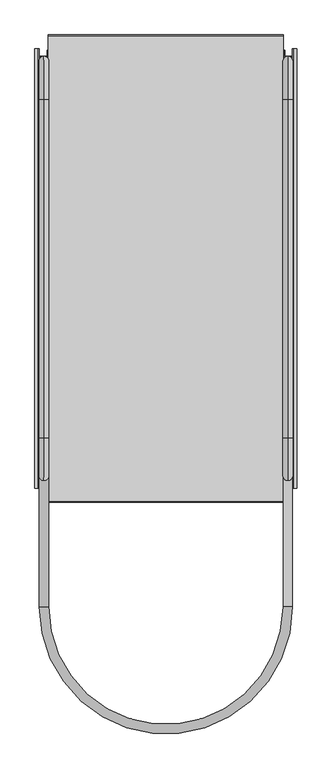
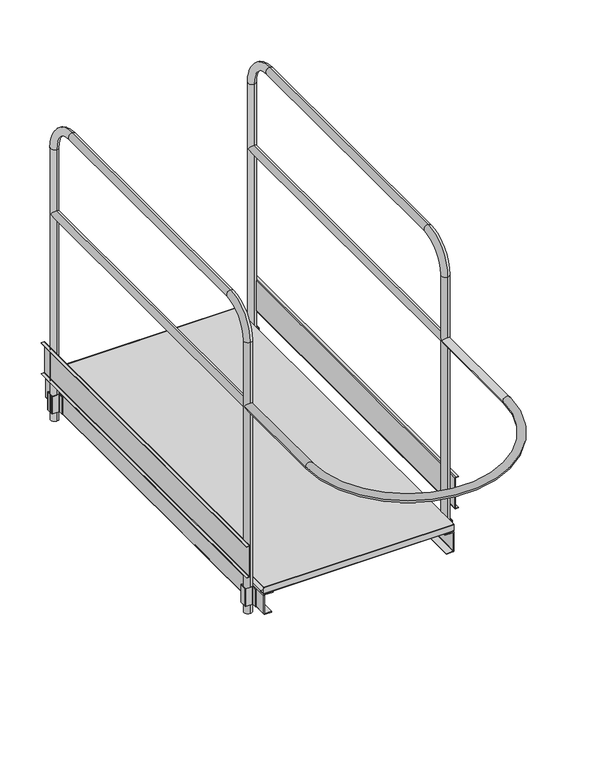
"""IFC4 building model written with IfcOpenShell, lengths in millimetres: proxy geometry."""

from ifc_helpers import new_model, si_unit, point, frame, frame_2d, origin, place, context, project, spatial, polyline, circle_curve, ellipse_curve, trimmed, segment, composite_curve, outline, extrude, source, transform, mapped, element, save
from ifc_brep_helpers import plane_surface, cylinder_surface, revolved_surface, advanced_brep


def generic_models_9f504ff7(model_context):
    return source(origin(), model_context, "Body", "SolidModel", [
        advanced_brep(
        [(-434.395852, -1509.933073, 925.0), (-402.395852, -1509.933073, 925.0), (-434.395852, -1959.5995093, 925.0), (-402.395852, -1959.5995093, 925.0), (402.395852, -1959.5995093, 925.0), (434.395852, -1959.5995093, 925.0), (434.395852, -1509.933073, 925.0), (402.395852, -1509.933073, 925.0)],
        [
            (0, 1, circle_curve(frame((-418.395852, -1509.933073, 925.0), z_axis=(0.0, 1.0, 0.0), x_axis=(1.0, 0.0, 0.0)), 16.0)),
            (1, 0, circle_curve(frame((-418.395852, -1509.933073, 925.0), z_axis=(0.0, 1.0, 0.0), x_axis=(1.0, 0.0, 0.0)), 16.0)),
            (0, 2),
            (2, 3, circle_curve(frame((-418.395852, -1959.5995093, 925.0), z_axis=(0.0, 1.0, 0.0), x_axis=(1.0, 0.0, 0.0)), 16.0)),
            (3, 1),
            (3, 2, circle_curve(frame((-418.395852, -1959.5995093, 925.0), z_axis=(0.0, 1.0, 0.0), x_axis=(1.0, 0.0, 0.0)), 16.0)),
            (4, 3, circle_curve(frame((0.0, -1959.5995093, 925.0), z_axis=(0.0, 0.0, -1.0), x_axis=(-1.0, 0.0, 0.0)), 402.395852)),
            (2, 5, circle_curve(frame((0.0, -1959.5995093, 925.0), z_axis=(0.0, 0.0, 1.0), x_axis=(-1.0, 0.0, 0.0)), 434.395852)),
            (5, 4, circle_curve(frame((418.395852, -1959.5995093, 925.0), z_axis=(0.0, -1.0, 0.0), x_axis=(-1.0, 0.0, 0.0)), 16.0)),
            (4, 5, circle_curve(frame((418.395852, -1959.5995093, 925.0), z_axis=(0.0, -1.0, 0.0), x_axis=(-1.0, 0.0, 0.0)), 16.0)),
            (6, 7, circle_curve(frame((418.395852, -1509.933073, 925.0), z_axis=(0.0, 1.0, 0.0), x_axis=(-1.0, 0.0, 0.0)), 16.0)),
            (7, 6, circle_curve(frame((418.395852, -1509.933073, 925.0), z_axis=(0.0, 1.0, 0.0), x_axis=(-1.0, 0.0, 0.0)), 16.0)),
            (5, 6),
            (7, 4),
        ],
        [
            plane_surface(frame((-418.395852, -1509.933073, 0.0), z_axis=(0.0, 1.0, 0.0), x_axis=(0.0, 0.0, 1.0))),
            cylinder_surface(frame((-418.395852, -1509.933073, 925.0), z_axis=(0.0, 1.0, 0.0), x_axis=(1.0, 0.0, 0.0)), 16.0),
            revolved_surface(trimmed(ellipse_curve(frame((-418.395852, -1959.5995093, 925.0), z_axis=(0.0, 1.0, 0.0), x_axis=(1.0, 0.0, 0.0)), 16.0, 16.0), [point((-434.395852, -1959.5995093, 925.0))], [point((-402.395852, -1959.5995093, 925.0))], True, "CARTESIAN"), (0.0, -1959.5995093, 0.0), (0.0, 0.0, 1.0)),
            revolved_surface(trimmed(ellipse_curve(frame((-418.395852, -1959.5995093, 925.0), z_axis=(0.0, 1.0, 0.0), x_axis=(1.0, 0.0, 0.0)), 16.0, 16.0), [point((-402.395852, -1959.5995093, 925.0))], [point((-434.395852, -1959.5995093, 925.0))], True, "CARTESIAN"), (0.0, -1959.5995093, 0.0), (0.0, 0.0, 1.0)),
            plane_surface(frame((418.395852, -1509.933073, 0.0), z_axis=(0.0, 1.0, 0.0), x_axis=(0.0, 0.0, 1.0))),
            cylinder_surface(frame((418.395852, -1959.5995093, 925.0), z_axis=(0.0, -1.0, 0.0), x_axis=(-1.0, 0.0, 0.0)), 16.0),
        ],
        [
            (0, [[1, 2]]),
            (1, [[-1, 3, 4, 5]]),
            (1, [[-2, -5, 6, -3]]),
            (2, [[7, -4, 8, 9]]),
            (3, [[-8, -6, -7, 10]]),
            (4, [[11, 12]]),
            (5, [[-9, 13, -12, 14]]),
            (5, [[-10, -14, -11, -13]]),
        ],
    ),
        extrude(outline(composite_curve([segment(polyline([(-406.4, -1472.0), (-406.4, -1491.4748817)]), True, "CONTINUOUS"), segment(trimmed(circle_curve(frame_2d((-409.4230444, -1491.4748817)), 3.0230444), [point((-406.4, -1491.4748817))], [point((-409.4230444, -1494.497926))], False, "CARTESIAN"), True, "CONTINUOUS"), segment(polyline([(-409.4230444, -1494.497926), (-435.9451631, -1494.497926)]), True, "CONTINUOUS"), segment(trimmed(circle_curve(frame_2d((-435.9451631, -1495.948615)), 1.450689), [point((-435.9451631, -1494.497926))], [point((-437.395852, -1495.948615))], True, "CARTESIAN"), True, "CONTINUOUS"), segment(polyline([(-437.395852, -1495.948615), (-437.395852, -1525.0309176)]), True, "CONTINUOUS"), segment(trimmed(circle_curve(frame_2d((-435.9329915, -1525.0309176)), 1.4628605), [point((-437.395852, -1525.0309176))], [point((-435.9329915, -1526.493778))], True, "CARTESIAN"), True, "CONTINUOUS"), segment(polyline([(-435.9329915, -1526.493778), (-409.3500083, -1526.493778)]), True, "CONTINUOUS"), segment(trimmed(circle_curve(frame_2d((-409.3500083, -1529.4437864)), 2.9500083), [point((-409.3500083, -1526.493778))], [point((-406.4, -1529.4437864))], False, "CARTESIAN"), True, "CONTINUOUS"), segment(polyline([(-406.4, -1529.4437864), (-406.4, -1548.9917041), (-407.9, -1548.9917041), (-407.9, -1529.4496571)]), True, "CONTINUOUS"), segment(trimmed(circle_curve(frame_2d((-409.3558791, -1529.4496571)), 1.4558791), [point((-407.9, -1529.4496571))], [point((-409.3558791, -1527.993778))], True, "CARTESIAN"), True, "CONTINUOUS"), segment(polyline([(-409.3558791, -1527.993778), (-435.9258011, -1527.993778)]), True, "CONTINUOUS"), segment(trimmed(circle_curve(frame_2d((-435.9258011, -1525.0237271)), 2.970051), [point((-435.9258011, -1527.993778))], [point((-438.895852, -1525.0237271))], False, "CARTESIAN"), True, "CONTINUOUS"), segment(polyline([(-438.895852, -1525.0237271), (-438.895852, -1496.0384913)]), True, "CONTINUOUS"), segment(trimmed(circle_curve(frame_2d((-435.8552868, -1496.0384913)), 3.0405652), [point((-438.895852, -1496.0384913))], [point((-435.8552868, -1492.997926))], False, "CARTESIAN"), True, "CONTINUOUS"), segment(polyline([(-435.8552868, -1492.997926), (-409.4117829, -1492.997926)]), True, "CONTINUOUS"), segment(trimmed(circle_curve(frame_2d((-409.4117829, -1491.4861431)), 1.5117829), [point((-409.4117829, -1492.997926))], [point((-407.9, -1491.4861431))], True, "CARTESIAN"), True, "CONTINUOUS"), segment(polyline([(-407.9, -1491.4861431), (-407.9, -1472.0), (-406.4, -1472.0)]), True, "CONTINUOUS")], self_intersect=False)), frame((0.0, 0.0, 40.0), z_axis=(0.0, 0.0, 1.0), x_axis=(1.0, 0.0, 0.0)), (0.0, 0.0, 1.0), 77.0),
        extrude(outline(composite_curve([segment(polyline([(-406.4, -52.0), (-406.4, -71.4748817)]), True, "CONTINUOUS"), segment(trimmed(circle_curve(frame_2d((-409.4230444, -71.4748817)), 3.0230444), [point((-406.4, -71.4748817))], [point((-409.4230444, -74.497926))], False, "CARTESIAN"), True, "CONTINUOUS"), segment(polyline([(-409.4230444, -74.497926), (-435.9451631, -74.497926)]), True, "CONTINUOUS"), segment(trimmed(circle_curve(frame_2d((-435.9451631, -75.948615)), 1.450689), [point((-435.9451631, -74.497926))], [point((-437.395852, -75.948615))], True, "CARTESIAN"), True, "CONTINUOUS"), segment(polyline([(-437.395852, -75.948615), (-437.395852, -105.0309176)]), True, "CONTINUOUS"), segment(trimmed(circle_curve(frame_2d((-435.9329915, -105.0309176)), 1.4628605), [point((-437.395852, -105.0309176))], [point((-435.9329915, -106.493778))], True, "CARTESIAN"), True, "CONTINUOUS"), segment(polyline([(-435.9329915, -106.493778), (-409.3500083, -106.493778)]), True, "CONTINUOUS"), segment(trimmed(circle_curve(frame_2d((-409.3500083, -109.4437864)), 2.9500083), [point((-409.3500083, -106.493778))], [point((-406.4, -109.4437864))], False, "CARTESIAN"), True, "CONTINUOUS"), segment(polyline([(-406.4, -109.4437864), (-406.4, -128.9917041), (-407.9, -128.9917041), (-407.9, -109.4496571)]), True, "CONTINUOUS"), segment(trimmed(circle_curve(frame_2d((-409.3558791, -109.4496571)), 1.4558791), [point((-407.9, -109.4496571))], [point((-409.3558791, -107.993778))], True, "CARTESIAN"), True, "CONTINUOUS"), segment(polyline([(-409.3558791, -107.993778), (-435.9258011, -107.993778)]), True, "CONTINUOUS"), segment(trimmed(circle_curve(frame_2d((-435.9258011, -105.0237271)), 2.970051), [point((-435.9258011, -107.993778))], [point((-438.895852, -105.0237271))], False, "CARTESIAN"), True, "CONTINUOUS"), segment(polyline([(-438.895852, -105.0237271), (-438.895852, -76.0384913)]), True, "CONTINUOUS"), segment(trimmed(circle_curve(frame_2d((-435.8552868, -76.0384913)), 3.0405652), [point((-438.895852, -76.0384913))], [point((-435.8552868, -72.997926))], False, "CARTESIAN"), True, "CONTINUOUS"), segment(polyline([(-435.8552868, -72.997926), (-409.4117829, -72.997926)]), True, "CONTINUOUS"), segment(trimmed(circle_curve(frame_2d((-409.4117829, -71.4861431)), 1.5117829), [point((-409.4117829, -72.997926))], [point((-407.9, -71.4861431))], True, "CARTESIAN"), True, "CONTINUOUS"), segment(polyline([(-407.9, -71.4861431), (-407.9, -52.0), (-406.4, -52.0)]), True, "CONTINUOUS")], self_intersect=False)), frame((0.0, 0.0, 39.9), z_axis=(0.0, 0.0, 1.0), x_axis=(1.0, 0.0, 0.0)), (0.0, 0.0, 1.0), 77.1),
        extrude(outline(composite_curve([segment(polyline([(406.4, -1472.0), (407.9, -1472.0), (407.9, -1491.4861431)]), True, "CONTINUOUS"), segment(trimmed(circle_curve(frame_2d((409.4117829, -1491.4861431)), 1.5117829), [point((407.9, -1491.4861431))], [point((409.4117829, -1492.997926))], True, "CARTESIAN"), True, "CONTINUOUS"), segment(polyline([(409.4117829, -1492.997926), (435.8552868, -1492.997926)]), True, "CONTINUOUS"), segment(trimmed(circle_curve(frame_2d((435.8552868, -1496.0384913)), 3.0405652), [point((435.8552868, -1492.997926))], [point((438.895852, -1496.0384913))], False, "CARTESIAN"), True, "CONTINUOUS"), segment(polyline([(438.895852, -1496.0384913), (438.895852, -1525.0237271)]), True, "CONTINUOUS"), segment(trimmed(circle_curve(frame_2d((435.9258011, -1525.0237271)), 2.970051), [point((438.895852, -1525.0237271))], [point((435.9258011, -1527.993778))], False, "CARTESIAN"), True, "CONTINUOUS"), segment(polyline([(435.9258011, -1527.993778), (409.3558791, -1527.993778)]), True, "CONTINUOUS"), segment(trimmed(circle_curve(frame_2d((409.3558791, -1529.4496571)), 1.4558791), [point((409.3558791, -1527.993778))], [point((407.9, -1529.4496571))], True, "CARTESIAN"), True, "CONTINUOUS"), segment(polyline([(407.9, -1529.4496571), (407.9, -1548.991704), (406.4, -1548.991704), (406.4, -1529.4437864)]), True, "CONTINUOUS"), segment(trimmed(circle_curve(frame_2d((409.3500083, -1529.4437864)), 2.9500083), [point((406.4, -1529.4437864))], [point((409.3500083, -1526.493778))], False, "CARTESIAN"), True, "CONTINUOUS"), segment(polyline([(409.3500083, -1526.493778), (435.9329915, -1526.493778)]), True, "CONTINUOUS"), segment(trimmed(circle_curve(frame_2d((435.9329915, -1525.0309176)), 1.4628605), [point((435.9329915, -1526.493778))], [point((437.395852, -1525.0309176))], True, "CARTESIAN"), True, "CONTINUOUS"), segment(polyline([(437.395852, -1525.0309176), (437.395852, -1495.948615)]), True, "CONTINUOUS"), segment(trimmed(circle_curve(frame_2d((435.9451631, -1495.948615)), 1.450689), [point((437.395852, -1495.948615))], [point((435.9451631, -1494.497926))], True, "CARTESIAN"), True, "CONTINUOUS"), segment(polyline([(435.9451631, -1494.497926), (409.4230444, -1494.497926)]), True, "CONTINUOUS"), segment(trimmed(circle_curve(frame_2d((409.4230444, -1491.4748817)), 3.0230444), [point((409.4230444, -1494.497926))], [point((406.4, -1491.4748817))], False, "CARTESIAN"), True, "CONTINUOUS"), segment(polyline([(406.4, -1491.4748817), (406.4, -1472.0)]), True, "CONTINUOUS")], self_intersect=False)), frame((0.0, 0.0, 39.9), z_axis=(0.0, 0.0, 1.0), x_axis=(1.0, 0.0, 0.0)), (0.0, 0.0, 1.0), 77.1),
        extrude(outline(composite_curve([segment(polyline([(406.4, -52.0), (407.9, -52.0), (407.9, -71.4861431)]), True, "CONTINUOUS"), segment(trimmed(circle_curve(frame_2d((409.4117829, -71.4861431)), 1.5117829), [point((407.9, -71.4861431))], [point((409.4117829, -72.997926))], True, "CARTESIAN"), True, "CONTINUOUS"), segment(polyline([(409.4117829, -72.997926), (435.8552868, -72.997926)]), True, "CONTINUOUS"), segment(trimmed(circle_curve(frame_2d((435.8552868, -76.0384913)), 3.0405652), [point((435.8552868, -72.997926))], [point((438.895852, -76.0384913))], False, "CARTESIAN"), True, "CONTINUOUS"), segment(polyline([(438.895852, -76.0384913), (438.895852, -105.0237271)]), True, "CONTINUOUS"), segment(trimmed(circle_curve(frame_2d((435.9258011, -105.0237271)), 2.970051), [point((438.895852, -105.0237271))], [point((435.9258011, -107.993778))], False, "CARTESIAN"), True, "CONTINUOUS"), segment(polyline([(435.9258011, -107.993778), (409.3558791, -107.993778)]), True, "CONTINUOUS"), segment(trimmed(circle_curve(frame_2d((409.3558791, -109.4496571)), 1.4558791), [point((409.3558791, -107.993778))], [point((407.9, -109.4496571))], True, "CARTESIAN"), True, "CONTINUOUS"), segment(polyline([(407.9, -109.4496571), (407.9, -128.9917041), (406.4, -128.9917041), (406.4, -109.4437864)]), True, "CONTINUOUS"), segment(trimmed(circle_curve(frame_2d((409.3500083, -109.4437864)), 2.9500083), [point((406.4, -109.4437864))], [point((409.3500083, -106.493778))], False, "CARTESIAN"), True, "CONTINUOUS"), segment(polyline([(409.3500083, -106.493778), (435.9329915, -106.493778)]), True, "CONTINUOUS"), segment(trimmed(circle_curve(frame_2d((435.9329915, -105.0309176)), 1.4628605), [point((435.9329915, -106.493778))], [point((437.395852, -105.0309176))], True, "CARTESIAN"), True, "CONTINUOUS"), segment(polyline([(437.395852, -105.0309176), (437.395852, -75.948615)]), True, "CONTINUOUS"), segment(trimmed(circle_curve(frame_2d((435.9451631, -75.948615)), 1.450689), [point((437.395852, -75.948615))], [point((435.9451631, -74.497926))], True, "CARTESIAN"), True, "CONTINUOUS"), segment(polyline([(435.9451631, -74.497926), (409.4230444, -74.497926)]), True, "CONTINUOUS"), segment(trimmed(circle_curve(frame_2d((409.4230444, -71.4748817)), 3.0230444), [point((409.4230444, -74.497926))], [point((406.4, -71.4748817))], False, "CARTESIAN"), True, "CONTINUOUS"), segment(polyline([(406.4, -71.4748817), (406.4, -52.0)]), True, "CONTINUOUS")], self_intersect=False)), frame((0.0, 0.0, 39.9), z_axis=(0.0, 0.0, 1.0), x_axis=(1.0, 0.0, 0.0)), (0.0, 0.0, 1.0), 77.1),
        extrude(outline(composite_curve([segment(polyline([(-2.2122337, 123.9), (-21.5, 123.9), (-21.5, 125.4), (-2.2817326, 125.4)]), True, "CONTINUOUS"), segment(trimmed(circle_curve(frame_2d((-2.2817326, 126.1817326)), 0.7817326), [point((-2.2817326, 125.4))], [point((-1.5, 126.1817326))], True, "CARTESIAN"), True, "CONTINUOUS"), segment(polyline([(-1.5, 126.1817326), (-1.5, 153.6236264)]), True, "CONTINUOUS"), segment(trimmed(circle_curve(frame_2d((-2.2763736, 153.6236264)), 0.7763736), [point((-1.5, 153.6236264))], [point((-2.2763736, 154.4))], True, "CARTESIAN"), True, "CONTINUOUS"), segment(polyline([(-2.2763736, 154.4), (-1597.7504578, 154.4)]), True, "CONTINUOUS"), segment(trimmed(circle_curve(frame_2d((-1597.7504578, 153.6504578)), 0.7495422), [point((-1597.7504578, 154.4))], [point((-1598.5, 153.6504578))], True, "CARTESIAN"), True, "CONTINUOUS"), segment(polyline([(-1598.5, 153.6504578), (-1598.5, 127.6666804)]), True, "CONTINUOUS"), segment(trimmed(circle_curve(frame_2d((-1597.7333196, 127.6666804)), 0.7666804), [point((-1598.5, 127.6666804))], [point((-1597.7333196, 126.9))], True, "CARTESIAN"), True, "CONTINUOUS"), segment(polyline([(-1597.7333196, 126.9), (-1577.0, 126.9), (-1577.0, 125.4), (-1597.7081083, 125.4)]), True, "CONTINUOUS"), segment(trimmed(circle_curve(frame_2d((-1597.7081083, 127.6918917)), 2.2918917), [point((-1597.7081083, 125.4))], [point((-1600.0, 127.6918917))], False, "CARTESIAN"), True, "CONTINUOUS"), segment(polyline([(-1600.0, 127.6918917), (-1600.0, 153.6006995)]), True, "CONTINUOUS"), segment(trimmed(circle_curve(frame_2d((-1597.7006995, 153.6006995)), 2.2993005), [point((-1600.0, 153.6006995))], [point((-1597.7006995, 155.9))], False, "CARTESIAN"), True, "CONTINUOUS"), segment(polyline([(-1597.7006995, 155.9), (-2.2762062, 155.9)]), True, "CONTINUOUS"), segment(trimmed(circle_curve(frame_2d((-2.2762062, 153.6237938)), 2.2762062), [point((-2.2762062, 155.9))], [point((0.0, 153.6237938))], False, "CARTESIAN"), True, "CONTINUOUS"), segment(polyline([(0.0, 153.6237938), (0.0, 126.1122337)]), True, "CONTINUOUS"), segment(trimmed(circle_curve(frame_2d((-2.2122337, 126.1122337)), 2.2122337), [point((0.0, 126.1122337))], [point((-2.2122337, 123.9))], False, "CARTESIAN"), True, "CONTINUOUS")], self_intersect=False)), frame((-403.4, 0.0, 0.0), z_axis=(1.0, 0.0, 0.0), x_axis=(0.0, 1.0, 0.0)), (0.0, 0.0, 1.0), 806.8),
        extrude(outline(composite_curve([segment(polyline([(36.9, -370.4), (36.9, -398.9177655)]), True, "CONTINUOUS"), segment(trimmed(circle_curve(frame_2d((38.3822345, -398.9177655)), 1.4822345), [point((36.9, -398.9177655))], [point((38.3822345, -400.4))], True, "CARTESIAN"), True, "CONTINUOUS"), segment(polyline([(38.3822345, -400.4), (119.4062089, -400.4)]), True, "CONTINUOUS"), segment(trimmed(circle_curve(frame_2d((119.4062089, -398.9062089)), 1.4937911), [point((119.4062089, -400.4))], [point((120.9, -398.9062089))], True, "CARTESIAN"), True, "CONTINUOUS"), segment(polyline([(120.9, -398.9062089), (120.9, -363.4), (123.9, -363.4), (123.9, -398.9009143)]), True, "CONTINUOUS"), segment(trimmed(circle_curve(frame_2d((119.4009143, -398.9009143)), 4.4990857), [point((123.9, -398.9009143))], [point((119.4009143, -403.4))], False, "CARTESIAN"), True, "CONTINUOUS"), segment(polyline([(119.4009143, -403.4), (38.4492193, -403.4)]), True, "CONTINUOUS"), segment(trimmed(circle_curve(frame_2d((38.4492193, -398.8507807)), 4.5492193), [point((38.4492193, -403.4))], [point((33.9, -398.8507807))], False, "CARTESIAN"), True, "CONTINUOUS"), segment(polyline([(33.9, -398.8507807), (33.9, -370.4), (36.9, -370.4)]), True, "CONTINUOUS")], self_intersect=False)), frame((0.0, -1600.0, 0.0), z_axis=(0.0, 1.0, 0.0), x_axis=(0.0, 0.0, 1.0)), (0.0, 0.0, 1.0), 1600.0),
        extrude(outline(composite_curve([segment(polyline([(36.9, 370.4), (33.9, 370.4), (33.9, 398.8507807)]), True, "CONTINUOUS"), segment(trimmed(circle_curve(frame_2d((38.4492193, 398.8507807)), 4.5492193), [point((33.9, 398.8507807))], [point((38.4492193, 403.4))], False, "CARTESIAN"), True, "CONTINUOUS"), segment(polyline([(38.4492193, 403.4), (119.4009143, 403.4)]), True, "CONTINUOUS"), segment(trimmed(circle_curve(frame_2d((119.4009143, 398.9009143)), 4.4990857), [point((119.4009143, 403.4))], [point((123.9, 398.9009143))], False, "CARTESIAN"), True, "CONTINUOUS"), segment(polyline([(123.9, 398.9009143), (123.9, 363.4), (120.9, 363.4), (120.9, 398.9062089)]), True, "CONTINUOUS"), segment(trimmed(circle_curve(frame_2d((119.4062089, 398.9062089)), 1.4937911), [point((120.9, 398.9062089))], [point((119.4062089, 400.4))], True, "CARTESIAN"), True, "CONTINUOUS"), segment(polyline([(119.4062089, 400.4), (38.3822345, 400.4)]), True, "CONTINUOUS"), segment(trimmed(circle_curve(frame_2d((38.3822345, 398.9177655)), 1.4822345), [point((38.3822345, 400.4))], [point((36.9, 398.9177655))], True, "CARTESIAN"), True, "CONTINUOUS"), segment(polyline([(36.9, 398.9177655), (36.9, 370.4)]), True, "CONTINUOUS")], self_intersect=False)), frame((0.0, -1600.0, 0.0), z_axis=(0.0, 1.0, 0.0), x_axis=(0.0, 0.0, 1.0)), (0.0, 0.0, 1.0), 1600.0),
        extrude(outline(composite_curve([segment(polyline([(324.4, -449.395852), (324.4, -437.474457)]), True, "CONTINUOUS"), segment(trimmed(circle_curve(frame_2d((322.8213951, -437.474457)), 1.5786049), [point((324.4, -437.474457))], [point((322.8213951, -435.895852))], True, "CARTESIAN"), True, "CONTINUOUS"), segment(polyline([(322.8213951, -435.895852), (188.8917095, -435.895852)]), True, "CONTINUOUS"), segment(trimmed(circle_curve(frame_2d((188.8917095, -437.3875615)), 1.4917095), [point((188.8917095, -435.895852))], [point((187.4, -437.3875615))], True, "CARTESIAN"), True, "CONTINUOUS"), segment(polyline([(187.4, -437.3875615), (187.4, -449.395852), (185.9, -449.395852), (185.9, -437.3786851)]), True, "CONTINUOUS"), segment(trimmed(circle_curve(frame_2d((188.8828331, -437.3786851)), 2.9828331), [point((185.9, -437.3786851))], [point((188.8828331, -434.395852))], False, "CARTESIAN"), True, "CONTINUOUS"), segment(polyline([(188.8828331, -434.395852), (322.9449835, -434.395852)]), True, "CONTINUOUS"), segment(trimmed(circle_curve(frame_2d((322.9449835, -437.3508685)), 2.9550165), [point((322.9449835, -434.395852))], [point((325.9, -437.3508685))], False, "CARTESIAN"), True, "CONTINUOUS"), segment(polyline([(325.9, -437.3508685), (325.9, -449.395852), (324.4, -449.395852)]), True, "CONTINUOUS")], self_intersect=False)), frame((0.0, -1553.0, 0.0), z_axis=(0.0, 1.0, 0.0), x_axis=(0.0, 0.0, 1.0)), (0.0, 0.0, 1.0), 1506.0),
        extrude(outline(composite_curve([segment(polyline([(324.4, 449.395852), (325.9, 449.395852), (325.9, 437.3508685)]), True, "CONTINUOUS"), segment(trimmed(circle_curve(frame_2d((322.9449835, 437.3508685)), 2.9550165), [point((325.9, 437.3508685))], [point((322.9449835, 434.395852))], False, "CARTESIAN"), True, "CONTINUOUS"), segment(polyline([(322.9449835, 434.395852), (188.8828331, 434.395852)]), True, "CONTINUOUS"), segment(trimmed(circle_curve(frame_2d((188.8828331, 437.3786851)), 2.9828331), [point((188.8828331, 434.395852))], [point((185.9, 437.3786851))], False, "CARTESIAN"), True, "CONTINUOUS"), segment(polyline([(185.9, 437.3786851), (185.9, 449.395852), (187.4, 449.395852), (187.4, 437.3875615)]), True, "CONTINUOUS"), segment(trimmed(circle_curve(frame_2d((188.8917095, 437.3875615)), 1.4917095), [point((187.4, 437.3875615))], [point((188.8917095, 435.895852))], True, "CARTESIAN"), True, "CONTINUOUS"), segment(polyline([(188.8917095, 435.895852), (322.8213951, 435.895852)]), True, "CONTINUOUS"), segment(trimmed(circle_curve(frame_2d((322.8213951, 437.474457)), 1.5786049), [point((322.8213951, 435.895852))], [point((324.4, 437.474457))], True, "CARTESIAN"), True, "CONTINUOUS"), segment(polyline([(324.4, 437.474457), (324.4, 449.395852)]), True, "CONTINUOUS")], self_intersect=False)), frame((0.0, -1553.0, 0.0), z_axis=(0.0, 1.0, 0.0), x_axis=(0.0, 0.0, 1.0)), (0.0, 0.0, 1.0), 1506.0),
        extrude(outline(composite_curve([segment(trimmed(circle_curve(frame_2d((925.0955247, 418.395852)), 15.963358), [point((909.1321667, 418.395852))], [point((941.0588827, 418.395852))], False, "CARTESIAN"), True, "CONTINUOUS"), segment(trimmed(circle_curve(frame_2d((925.0955247, 418.395852)), 15.963358), [point((941.0588827, 418.395852))], [point((909.1321667, 418.395852))], False, "CARTESIAN"), True, "CONTINUOUS")], self_intersect=False)), frame((0.0, -1509.933073, 0.0), z_axis=(0.0, 1.0, 0.0), x_axis=(0.0, 0.0, 1.0)), (0.0, 0.0, 1.0), 1420.0),
        extrude(outline(composite_curve([segment(trimmed(circle_curve(frame_2d((925.0955247, -418.395852)), 15.963358), [point((909.1321667, -418.395852))], [point((941.0588827, -418.395852))], False, "CARTESIAN"), True, "CONTINUOUS"), segment(trimmed(circle_curve(frame_2d((925.0955247, -418.395852)), 15.963358), [point((941.0588827, -418.395852))], [point((909.1321667, -418.395852))], False, "CARTESIAN"), True, "CONTINUOUS")], self_intersect=False)), frame((0.0, -1509.933073, 0.0), z_axis=(0.0, 1.0, 0.0), x_axis=(0.0, 0.0, 1.0)), (0.0, 0.0, 1.0), 1420.0),
        advanced_brep(
        [(418.395852, -73.4392949, 0.0), (418.395852, -106.426851, 0.0), (418.395852, -106.426851, 1214.0822108), (418.395852, -73.4392949, 1214.0822108), (418.395852, -219.933073, 1360.5759888), (418.395852, -219.933073, 1327.5884327), (418.395852, -1379.933073, 1327.5884327), (418.395852, -1379.933073, 1360.5759888), (418.395852, -1526.426851, 1214.0822108), (418.395852, -1493.4392949, 1214.0822108), (418.395852, -1526.426851, 0.0), (418.395852, -1493.4392949, 0.0)],
        [
            (0, 1, circle_curve(frame((418.395852, -89.933073, 0.0), z_axis=(0.0, 0.0, -1.0), x_axis=(0.0, -1.0, 0.0)), 16.493778)),
            (1, 0, circle_curve(frame((418.395852, -89.933073, 0.0), z_axis=(0.0, 0.0, -1.0), x_axis=(0.0, -1.0, 0.0)), 16.493778)),
            (1, 2),
            (2, 3, circle_curve(frame((418.395852, -89.933073, 1214.0822108), z_axis=(0.0, 0.0, -1.0), x_axis=(0.0, -1.0, 0.0)), 16.493778)),
            (3, 0),
            (3, 2, circle_curve(frame((418.395852, -89.933073, 1214.0822108), z_axis=(0.0, 0.0, -1.0), x_axis=(0.0, -1.0, 0.0)), 16.493778)),
            (4, 3, circle_curve(frame((418.395852, -219.933073, 1214.0822108), z_axis=(-1.0, 0.0, 0.0), x_axis=(0.0, 1.0, 0.0)), 146.493778)),
            (2, 5, circle_curve(frame((418.395852, -219.933073, 1214.0822108), z_axis=(1.0, 0.0, 0.0), x_axis=(0.0, 1.0, 0.0)), 113.506222)),
            (5, 4, circle_curve(frame((418.395852, -219.933073, 1344.0822108), z_axis=(0.0, 1.0, 0.0), x_axis=(0.0, 0.0, -1.0)), 16.493778)),
            (4, 5, circle_curve(frame((418.395852, -219.933073, 1344.0822108), z_axis=(0.0, 1.0, 0.0), x_axis=(0.0, 0.0, -1.0)), 16.493778)),
            (5, 6),
            (6, 7, circle_curve(frame((418.395852, -1379.933073, 1344.0822108), z_axis=(0.0, 1.0, 0.0), x_axis=(0.0, 0.0, -1.0)), 16.493778)),
            (7, 4),
            (7, 6, circle_curve(frame((418.395852, -1379.933073, 1344.0822108), z_axis=(0.0, 1.0, 0.0), x_axis=(0.0, 0.0, -1.0)), 16.493778)),
            (8, 7, circle_curve(frame((418.395852, -1379.933073, 1214.0822108), z_axis=(-1.0, 0.0, 0.0), x_axis=(0.0, 0.0, 1.0)), 146.493778)),
            (6, 9, circle_curve(frame((418.395852, -1379.933073, 1214.0822108), z_axis=(1.0, 0.0, 0.0), x_axis=(0.0, 0.0, 1.0)), 113.506222)),
            (9, 8, circle_curve(frame((418.395852, -1509.933073, 1214.0822108), z_axis=(0.0, 0.0, 1.0), x_axis=(0.0, 1.0, 0.0)), 16.493778)),
            (8, 9, circle_curve(frame((418.395852, -1509.933073, 1214.0822108), z_axis=(0.0, 0.0, 1.0), x_axis=(0.0, 1.0, 0.0)), 16.493778)),
            (10, 11, circle_curve(frame((418.395852, -1509.933073, 0.0), z_axis=(0.0, 0.0, -1.0), x_axis=(0.0, 1.0, 0.0)), 16.493778)),
            (11, 10, circle_curve(frame((418.395852, -1509.933073, 0.0), z_axis=(0.0, 0.0, -1.0), x_axis=(0.0, 1.0, 0.0)), 16.493778)),
            (9, 11),
            (10, 8),
        ],
        [
            plane_surface(frame((418.395852, -89.933073, 0.0), z_axis=(0.0, 0.0, -1.0), x_axis=(1.0, 0.0, 0.0))),
            cylinder_surface(frame((418.395852, -89.933073, 0.0), z_axis=(0.0, 0.0, -1.0), x_axis=(0.0, -1.0, 0.0)), 16.493778),
            revolved_surface(trimmed(ellipse_curve(frame((418.395852, -89.933073, 1214.0822108), z_axis=(0.0, 0.0, -1.0), x_axis=(0.0, -1.0, 0.0)), 16.493778, 16.493778), [point((418.395852, -106.426851, 1214.0822108))], [point((418.395852, -73.4392949, 1214.0822108))], True, "CARTESIAN"), (418.395852, -219.933073, 1214.0822108), (1.0, 0.0, 0.0)),
            revolved_surface(trimmed(ellipse_curve(frame((418.395852, -89.933073, 1214.0822108), z_axis=(0.0, 0.0, -1.0), x_axis=(0.0, -1.0, 0.0)), 16.493778, 16.493778), [point((418.395852, -73.4392949, 1214.0822108))], [point((418.395852, -106.426851, 1214.0822108))], True, "CARTESIAN"), (418.395852, -219.933073, 1214.0822108), (1.0, 0.0, 0.0)),
            cylinder_surface(frame((418.395852, -219.933073, 1344.0822108), z_axis=(0.0, 1.0, 0.0), x_axis=(0.0, 0.0, -1.0)), 16.493778),
            revolved_surface(trimmed(ellipse_curve(frame((418.395852, -1379.933073, 1344.0822108), z_axis=(0.0, 1.0, 0.0), x_axis=(0.0, 0.0, -1.0)), 16.493778, 16.493778), [point((418.395852, -1379.933073, 1327.5884327))], [point((418.395852, -1379.933073, 1360.5759888))], True, "CARTESIAN"), (418.395852, -1379.933073, 1214.0822108), (1.0, 0.0, 0.0)),
            revolved_surface(trimmed(ellipse_curve(frame((418.395852, -1379.933073, 1344.0822108), z_axis=(0.0, 1.0, 0.0), x_axis=(0.0, 0.0, -1.0)), 16.493778, 16.493778), [point((418.395852, -1379.933073, 1360.5759888))], [point((418.395852, -1379.933073, 1327.5884327))], True, "CARTESIAN"), (418.395852, -1379.933073, 1214.0822108), (1.0, 0.0, 0.0)),
            plane_surface(frame((418.395852, -1509.933073, 0.0), z_axis=(0.0, 0.0, -1.0), x_axis=(1.0, 0.0, 0.0))),
            cylinder_surface(frame((418.395852, -1509.933073, 1214.0822108), z_axis=(0.0, 0.0, 1.0), x_axis=(0.0, 1.0, 0.0)), 16.493778),
        ],
        [
            (0, [[1, 2]]),
            (1, [[-2, 3, 4, 5]]),
            (1, [[-1, -5, 6, -3]]),
            (2, [[7, -4, 8, 9]]),
            (3, [[-8, -6, -7, 10]]),
            (4, [[-9, 11, 12, 13]]),
            (4, [[-10, -13, 14, -11]]),
            (5, [[15, -12, 16, 17]]),
            (6, [[-16, -14, -15, 18]]),
            (7, [[19, 20]]),
            (8, [[-17, 21, -19, 22]]),
            (8, [[-18, -22, -20, -21]]),
        ],
    ),
        advanced_brep(
        [(-418.395852, -106.426851, 0.0), (-418.395852, -73.4392949, 0.0), (-418.395852, -106.426851, 1214.0822108), (-418.395852, -73.4392949, 1214.0822108), (-418.395852, -219.933073, 1360.5759888), (-418.395852, -219.933073, 1327.5884327), (-418.395852, -1379.933073, 1327.5884327), (-418.395852, -1379.933073, 1360.5759888), (-418.395852, -1526.426851, 1214.0822108), (-418.395852, -1493.4392949, 1214.0822108), (-418.395852, -1493.4392949, 0.0), (-418.395852, -1526.426851, 0.0)],
        [
            (0, 1, circle_curve(frame((-418.395852, -89.933073, 0.0), z_axis=(0.0, 0.0, -1.0), x_axis=(0.0, 1.0, 0.0)), 16.493778)),
            (1, 0, circle_curve(frame((-418.395852, -89.933073, 0.0), z_axis=(0.0, 0.0, -1.0), x_axis=(0.0, 1.0, 0.0)), 16.493778)),
            (0, 2),
            (2, 3, circle_curve(frame((-418.395852, -89.933073, 1214.0822108), z_axis=(0.0, 0.0, -1.0), x_axis=(0.0, 1.0, 0.0)), 16.493778)),
            (3, 1),
            (3, 2, circle_curve(frame((-418.395852, -89.933073, 1214.0822108), z_axis=(0.0, 0.0, -1.0), x_axis=(0.0, 1.0, 0.0)), 16.493778)),
            (4, 3, circle_curve(frame((-418.395852, -219.933073, 1214.0822108), z_axis=(-1.0, 0.0, 0.0), x_axis=(0.0, 1.0, 0.0)), 146.493778)),
            (2, 5, circle_curve(frame((-418.395852, -219.933073, 1214.0822108), z_axis=(1.0, 0.0, 0.0), x_axis=(0.0, 1.0, 0.0)), 113.506222)),
            (5, 4, circle_curve(frame((-418.395852, -219.933073, 1344.0822108), z_axis=(0.0, 1.0, 0.0), x_axis=(0.0, 0.0, 1.0)), 16.493778)),
            (4, 5, circle_curve(frame((-418.395852, -219.933073, 1344.0822108), z_axis=(0.0, 1.0, 0.0), x_axis=(0.0, 0.0, 1.0)), 16.493778)),
            (5, 6),
            (6, 7, circle_curve(frame((-418.395852, -1379.933073, 1344.0822108), z_axis=(0.0, 1.0, 0.0), x_axis=(0.0, 0.0, 1.0)), 16.493778)),
            (7, 4),
            (7, 6, circle_curve(frame((-418.395852, -1379.933073, 1344.0822108), z_axis=(0.0, 1.0, 0.0), x_axis=(0.0, 0.0, 1.0)), 16.493778)),
            (8, 7, circle_curve(frame((-418.395852, -1379.933073, 1214.0822108), z_axis=(-1.0, 0.0, 0.0), x_axis=(0.0, 0.0, 1.0)), 146.493778)),
            (6, 9, circle_curve(frame((-418.395852, -1379.933073, 1214.0822108), z_axis=(1.0, 0.0, 0.0), x_axis=(0.0, 0.0, 1.0)), 113.506222)),
            (9, 8, circle_curve(frame((-418.395852, -1509.933073, 1214.0822108), z_axis=(0.0, 0.0, 1.0), x_axis=(0.0, -1.0, 0.0)), 16.493778)),
            (8, 9, circle_curve(frame((-418.395852, -1509.933073, 1214.0822108), z_axis=(0.0, 0.0, 1.0), x_axis=(0.0, -1.0, 0.0)), 16.493778)),
            (10, 11, circle_curve(frame((-418.395852, -1509.933073, 0.0), z_axis=(0.0, 0.0, -1.0), x_axis=(0.0, -1.0, 0.0)), 16.493778)),
            (11, 10, circle_curve(frame((-418.395852, -1509.933073, 0.0), z_axis=(0.0, 0.0, -1.0), x_axis=(0.0, -1.0, 0.0)), 16.493778)),
            (9, 10),
            (11, 8),
        ],
        [
            plane_surface(frame((-418.395852, -89.933073, 0.0), z_axis=(0.0, 0.0, -1.0), x_axis=(-1.0, 0.0, 0.0))),
            cylinder_surface(frame((-418.395852, -89.933073, 0.0), z_axis=(0.0, 0.0, -1.0), x_axis=(0.0, 1.0, 0.0)), 16.493778),
            revolved_surface(trimmed(ellipse_curve(frame((-418.395852, -89.933073, 1214.0822108), z_axis=(0.0, 0.0, -1.0), x_axis=(0.0, 1.0, 0.0)), 16.493778, 16.493778), [point((-418.395852, -106.426851, 1214.0822108))], [point((-418.395852, -73.4392949, 1214.0822108))], True, "CARTESIAN"), (-418.395852, -219.933073, 1214.0822108), (1.0, 0.0, 0.0)),
            revolved_surface(trimmed(ellipse_curve(frame((-418.395852, -89.933073, 1214.0822108), z_axis=(0.0, 0.0, -1.0), x_axis=(0.0, 1.0, 0.0)), 16.493778, 16.493778), [point((-418.395852, -73.4392949, 1214.0822108))], [point((-418.395852, -106.426851, 1214.0822108))], True, "CARTESIAN"), (-418.395852, -219.933073, 1214.0822108), (1.0, 0.0, 0.0)),
            cylinder_surface(frame((-418.395852, -219.933073, 1344.0822108), z_axis=(0.0, 1.0, 0.0), x_axis=(0.0, 0.0, 1.0)), 16.493778),
            revolved_surface(trimmed(ellipse_curve(frame((-418.395852, -1379.933073, 1344.0822108), z_axis=(0.0, 1.0, 0.0), x_axis=(0.0, 0.0, 1.0)), 16.493778, 16.493778), [point((-418.395852, -1379.933073, 1327.5884327))], [point((-418.395852, -1379.933073, 1360.5759888))], True, "CARTESIAN"), (-418.395852, -1379.933073, 1214.0822108), (1.0, 0.0, 0.0)),
            revolved_surface(trimmed(ellipse_curve(frame((-418.395852, -1379.933073, 1344.0822108), z_axis=(0.0, 1.0, 0.0), x_axis=(0.0, 0.0, 1.0)), 16.493778, 16.493778), [point((-418.395852, -1379.933073, 1360.5759888))], [point((-418.395852, -1379.933073, 1327.5884327))], True, "CARTESIAN"), (-418.395852, -1379.933073, 1214.0822108), (1.0, 0.0, 0.0)),
            plane_surface(frame((-418.395852, -1509.933073, 0.0), z_axis=(0.0, 0.0, -1.0), x_axis=(-1.0, 0.0, 0.0))),
            cylinder_surface(frame((-418.395852, -1509.933073, 1214.0822108), z_axis=(0.0, 0.0, 1.0), x_axis=(0.0, -1.0, 0.0)), 16.493778),
        ],
        [
            (0, [[1, 2]]),
            (1, [[-1, 3, 4, 5]]),
            (1, [[-2, -5, 6, -3]]),
            (2, [[7, -4, 8, 9]]),
            (3, [[-8, -6, -7, 10]]),
            (4, [[-9, 11, 12, 13]]),
            (4, [[-10, -13, 14, -11]]),
            (5, [[15, -12, 16, 17]]),
            (6, [[-16, -14, -15, 18]]),
            (7, [[19, 20]]),
            (8, [[-17, 21, -20, 22]]),
            (8, [[-18, -22, -19, -21]]),
        ],
    ),
    ])


if __name__ == "__main__":
    model = new_model("IFC4")
    model_context = context("Model", 3, world=origin())
    ifc_project = project(units=[si_unit("LENGTHUNIT", "METRE", prefix="MILLI")], contexts=[model_context])
    site = spatial("IfcSite", under=ifc_project)
    building = spatial("IfcBuilding", under=site)
    placement = place(None, origin())
    generic_models_shape = generic_models_9f504ff7(model_context)
    element("IfcBuildingElementProxy", 1, Name="Generic Models", at=placement, inside=building, context=model_context, shape_type="MappedRepresentation", body=[
        mapped(generic_models_shape, transform((0.0, 0.0, 0.0), x_axis=(1.0, 0.0, 0.0), y_axis=(0.0, 1.0, 0.0), z_axis=(0.0, 0.0, 1.0))),
    ])
    save(model, "model.ifc")
